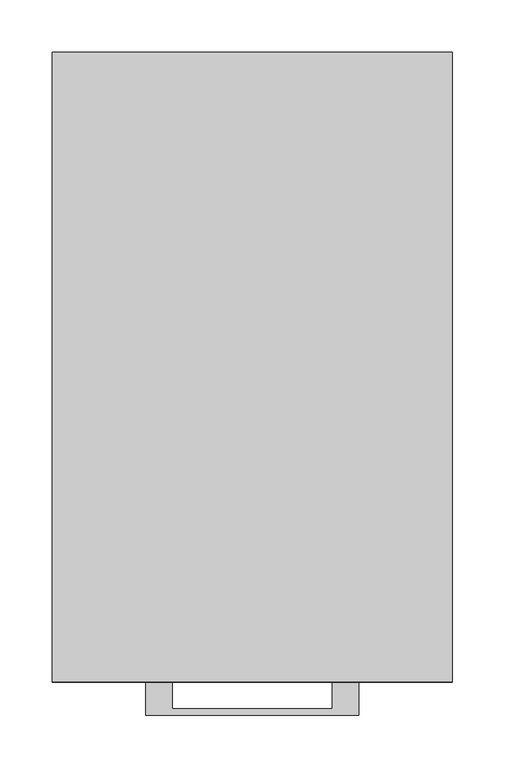
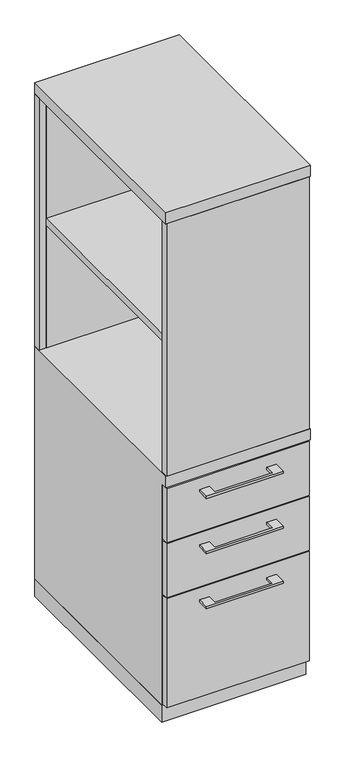
"""IFC4 building model written with IfcOpenShell, lengths in millimetres: furniture geometry."""

from ifc_helpers import new_model, si_unit, frame, origin, origin_with_axes, place, context, project, spatial, polyline, outline, extrude, faceted_brep, source, transform, mapped, element, save


def furniture_e6dded94(model_context):
    return source(origin(), model_context, "Body", "SolidModel", [
        extrude(outline(polyline([(171.45, -581.025), (-171.45, -581.025), (-171.45, -19.05), (171.45, -19.05), (171.45, -581.025)])), frame((0.0, 0.0, 1041.4), z_axis=(0.0, 0.0, 1.0), x_axis=(1.0, 0.0, 0.0)), (0.0, 0.0, 1.0), 19.05),
        extrude(outline(polyline([(-76.1999818, -600.075), (-76.1999818, -625.4749758), (76.2, -625.4749758), (76.2, -600.075), (101.5999939, -600.075), (101.5999939, -631.8249879), (-101.5999939, -631.8249879), (-101.5999939, -600.075), (-76.1999818, -600.075)])), frame((0.0, 0.0, 623.8875506), z_axis=(0.0, 0.0, 1.0), x_axis=(1.0, 0.0, 0.0)), (0.0, 0.0, 1.0), 6.3499758),
        extrude(outline(polyline([(188.9125, -581.025), (188.9125, -600.075), (-188.9125, -600.075), (-188.9125, -581.025), (188.9125, -581.025)])), frame((0.0, 0.0, 512.7625), z_axis=(0.0, 0.0, 1.0), x_axis=(1.0, 0.0, 0.0)), (0.0, 0.0, 1.0), 150.8125),
        extrude(outline(polyline([(-76.1999818, -600.075), (-76.1999818, -625.4749758), (76.2, -625.4749758), (76.2, -600.075), (101.5999939, -600.075), (101.5999939, -631.8249879), (-101.5999939, -631.8249879), (-101.5999939, -600.075), (-76.1999818, -600.075)])), frame((0.0, 0.0, 469.9000506), z_axis=(0.0, 0.0, 1.0), x_axis=(1.0, 0.0, 0.0)), (0.0, 0.0, 1.0), 6.3499758),
        extrude(outline(polyline([(188.9125, -581.025), (188.9125, -600.075), (-188.9125, -600.075), (-188.9125, -581.025), (188.9125, -581.025)])), frame((0.0, 0.0, 358.775), z_axis=(0.0, 0.0, 1.0), x_axis=(1.0, 0.0, 0.0)), (0.0, 0.0, 1.0), 150.8125),
        extrude(outline(polyline([(-76.1999818, -600.075), (-76.1999818, -625.4749758), (76.2, -625.4749758), (76.2, -600.075), (101.5999939, -600.075), (101.5999939, -631.8249879), (-101.5999939, -631.8249879), (-101.5999939, -600.075), (-76.1999818, -600.075)])), frame((0.0, 0.0, 315.9125506), z_axis=(0.0, 0.0, 1.0), x_axis=(1.0, 0.0, 0.0)), (0.0, 0.0, 1.0), 6.3499758),
        extrude(outline(polyline([(188.9125, -581.025), (188.9125, -600.075), (-188.9125, -600.075), (-188.9125, -581.025), (188.9125, -581.025)])), frame((0.0, 0.0, 50.8), z_axis=(0.0, 0.0, 1.0), x_axis=(1.0, 0.0, 0.0)), (0.0, 0.0, 1.0), 304.8),
        extrude(outline(polyline([(188.9125, -581.025), (188.9125, -600.075), (-188.9125, -600.075), (-188.9125, -581.025), (188.9125, -581.025)])), frame((0.0, 0.0, 698.5), z_axis=(0.0, 0.0, 1.0), x_axis=(1.0, 0.0, 0.0)), (0.0, 0.0, 1.0), 704.85),
        extrude(outline(polyline([(171.45, -19.05), (-171.45, -19.05), (-171.45, 0.0), (171.45, 0.0), (171.45, -19.05)])), frame((0.0, 0.0, 47.625), z_axis=(0.0, 0.0, 1.0), x_axis=(1.0, 0.0, 0.0)), (0.0, 0.0, 1.0), 1355.725),
        faceted_brep([(-171.45, 0.0, 698.5), (-190.5, 0.0, 698.5), (-190.5, -600.075, 698.5), (190.5, -600.075, 698.5), (190.5, 0.0, 698.5), (171.45, 0.0, 698.5), (171.45, -19.05, 698.5), (-171.45, -19.05, 698.5), (-171.45, 0.0, 47.625), (-171.45, -581.025, 47.625), (-190.5, -581.025, 47.625), (-190.5, 0.0, 47.625), (-190.5, -581.025, 666.75), (-190.5, -600.075, 666.75), (-171.45, -581.025, 666.75), (-171.45, -19.05, 666.75), (190.5, -600.075, 666.75), (171.45, -19.05, 666.75), (171.45, -581.025, 666.75), (190.5, -581.025, 666.75), (190.5, -581.025, 47.625), (190.5, 0.0, 47.625), (171.45, -581.025, 47.625), (171.45, 0.0, 47.625)], [[[0, 1, 2, 3, 4, 5, 6, 7]], [[8, 9, 10, 11]], [[1, 0, 8, 11]], [[11, 10, 12, 13, 2, 1]], [[10, 9, 14, 12]], [[9, 8, 0, 7, 15, 14]], [[16, 13, 12, 14, 15, 17, 18, 19]], [[15, 7, 6, 17]], [[3, 2, 13, 16]], [[4, 3, 16, 19, 20, 21]], [[21, 20, 22, 23]], [[5, 4, 21, 23]], [[23, 22, 18, 17, 6, 5]], [[22, 20, 19, 18]]]),
        extrude(outline(polyline([(-171.45, 0.0), (-171.45, -19.05), (-190.5, -19.05), (-190.5, 0.0), (-171.45, 0.0)])), frame((0.0, 0.0, 698.5), z_axis=(0.0, 0.0, 1.0), x_axis=(1.0, 0.0, 0.0)), (0.0, 0.0, 1.0), 704.85),
        extrude(outline(polyline([(190.5, -581.025), (171.45, -581.025), (171.45, 0.0), (190.5, 0.0), (190.5, -581.025)])), frame((0.0, 0.0, 698.5), z_axis=(0.0, 0.0, 1.0), x_axis=(1.0, 0.0, 0.0)), (0.0, 0.0, 1.0), 704.85),
        extrude(outline(polyline([(190.5, 0.0), (190.5, -600.075), (-190.5, -600.075), (-190.5, 0.0), (190.5, 0.0)])), frame((0.0, 0.0, 1403.35), z_axis=(0.0, 0.0, 1.0), x_axis=(1.0, 0.0, 0.0)), (0.0, 0.0, 1.0), 31.75),
        extrude(outline(polyline([(190.5, 0.0), (190.5, -581.025), (-190.5, -581.025), (-190.5, 0.0), (190.5, 0.0)])), origin_with_axes(), (0.0, 0.0, 1.0), 47.625),
    ])


if __name__ == "__main__":
    model = new_model("IFC4")
    model_context = context("Model", 3, world=origin())
    ifc_project = project(units=[si_unit("LENGTHUNIT", "METRE", prefix="MILLI")], contexts=[model_context])
    site = spatial("IfcSite", under=ifc_project)
    building = spatial("IfcBuilding", under=site)
    placement = place(None, origin())
    furniture_shape = furniture_e6dded94(model_context)
    element("IfcFurniture", 1, at=placement, inside=building, context=model_context, shape_type="MappedRepresentation", body=[
        mapped(furniture_shape, transform((0.0, 0.0, 0.0), x_axis=(1.0, 0.0, 0.0), y_axis=(0.0, 1.0, 0.0), z_axis=(0.0, 0.0, 1.0))),
    ])
    save(model, "model.ifc")
